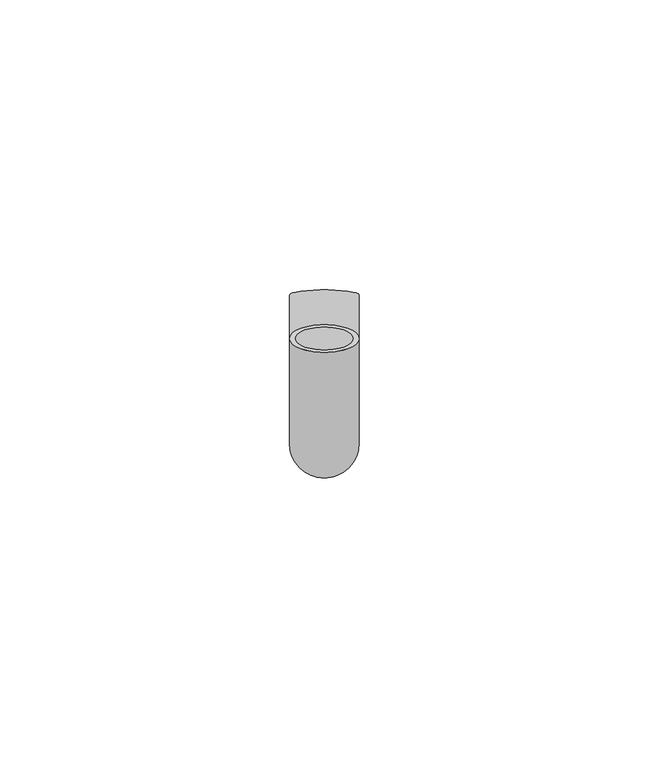
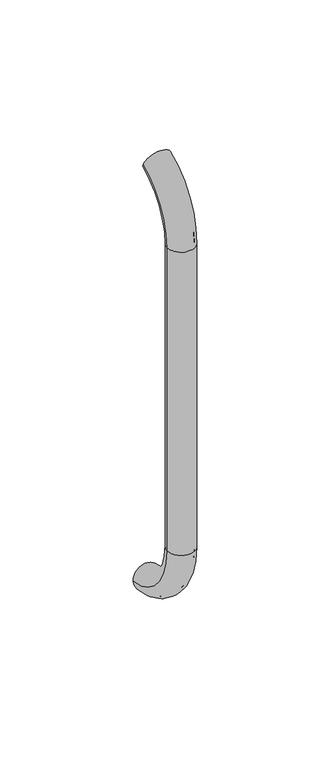
"""IFC4 building model written with IfcOpenShell, lengths in millimetres: beam geometry."""

from ifc_helpers import new_model, si_unit, point, frame, origin, place, context, project, spatial, polyline, circle_curve, ellipse_curve, trimmed, source, transform, mapped, element, save
from ifc_brep_helpers import plane_surface, cylinder_surface, revolved_surface, advanced_brep


def beam_49296c59(model_context):
    return source(origin(), model_context, "Body", "AdvancedBrep", [
        advanced_brep(
        [(4061.5047261, 2444.0395554, 1993.7787656), (4073.5047261, 2444.0395554, 1993.7787656), (4062.5047261, 2444.0395554, 1993.7787656), (4072.5047261, 2444.0395554, 1993.7787656), (4072.5047261, 2425.9629385, 1966.25), (4062.5047261, 2425.9629385, 1966.25), (4073.5047261, 2425.9629385, 1966.25), (4061.5047261, 2425.9629385, 1966.25), (4062.5047261, 2425.9629385, 1826.25), (4072.5047261, 2425.9629385, 1826.25), (4061.5047261, 2425.9629385, 1826.25), (4073.5047261, 2425.9629385, 1826.25), (4061.5047261, 2451.5825147, 1796.5715249), (4073.5047261, 2451.5825147, 1796.5715249), (4062.5047261, 2451.5825147, 1796.5715249), (4072.5047261, 2451.5825147, 1796.5715249)],
        [
            (0, 1, circle_curve(frame((4067.5047261, 2444.0395554, 1993.7787656), z_axis=(0.0, 0.9176255197351176, 0.3974461039321624), x_axis=(1.0, 0.0, 0.0)), 6.0)),
            (1, 0, circle_curve(frame((4067.5047261, 2444.0395554, 1993.7787656), z_axis=(0.0, 0.9176255197351176, 0.3974461039321624), x_axis=(1.0, 0.0, 0.0)), 6.0)),
            (2, 3, circle_curve(frame((4067.5047261, 2444.0395554, 1993.7787656), z_axis=(0.0, -0.9176255197351176, -0.3974461039321624), x_axis=(1.0, 0.0, 0.0)), 5.0)),
            (3, 2, circle_curve(frame((4067.5047261, 2444.0395554, 1993.7787656), z_axis=(0.0, -0.9176255197351176, -0.3974461039321624), x_axis=(1.0, 0.0, 0.0)), 5.0)),
            (4, 3, circle_curve(frame((4072.5047261, 2455.9629385, 1966.25), z_axis=(-1.0, 0.0, 0.0), x_axis=(0.0, -0.3974461039321624, 0.9176255197351176)), 30.0)),
            (2, 5, circle_curve(frame((4062.5047261, 2455.9629385, 1966.25), z_axis=(1.0, 0.0, 0.0), x_axis=(0.0, -0.3974461039321624, 0.9176255197351176)), 30.0)),
            (5, 4, circle_curve(frame((4067.5047261, 2425.9629385, 1966.25), z_axis=(0.0, 0.0, -1.0), x_axis=(1.0, 0.0, 0.0)), 5.0)),
            (4, 5, circle_curve(frame((4067.5047261, 2425.9629385, 1966.25), z_axis=(0.0, 0.0, -1.0), x_axis=(1.0, 0.0, 0.0)), 5.0)),
            (6, 1, circle_curve(frame((4073.5047261, 2455.9629385, 1966.25), z_axis=(-1.0, 0.0, 0.0), x_axis=(0.0, -0.3974461039321624, 0.9176255197351176)), 30.0)),
            (0, 7, circle_curve(frame((4061.5047261, 2455.9629385, 1966.25), z_axis=(1.0, 0.0, 0.0), x_axis=(0.0, -0.3974461039321624, 0.9176255197351176)), 30.0)),
            (7, 6, circle_curve(frame((4067.5047261, 2425.9629385, 1966.25), z_axis=(0.0, 0.0, 1.0), x_axis=(1.0, 0.0, 0.0)), 6.0)),
            (6, 7, circle_curve(frame((4067.5047261, 2425.9629385, 1966.25), z_axis=(0.0, 0.0, 1.0), x_axis=(1.0, 0.0, 0.0)), 6.0)),
            (5, 8),
            (8, 9, circle_curve(frame((4067.5047261, 2425.9629385, 1826.25), z_axis=(0.0, 0.0, -1.0), x_axis=(1.0, 0.0, 0.0)), 5.0)),
            (9, 4),
            (9, 8, circle_curve(frame((4067.5047261, 2425.9629385, 1826.25), z_axis=(0.0, 0.0, -1.0), x_axis=(1.0, 0.0, 0.0)), 5.0)),
            (7, 10),
            (10, 11, circle_curve(frame((4067.5047261, 2425.9629385, 1826.25), z_axis=(0.0, 0.0, 1.0), x_axis=(1.0, 0.0, 0.0)), 6.0)),
            (11, 6),
            (11, 10, circle_curve(frame((4067.5047261, 2425.9629385, 1826.25), z_axis=(0.0, 0.0, 1.0), x_axis=(1.0, 0.0, 0.0)), 6.0)),
            (12, 13, circle_curve(frame((4067.5047261, 2451.5825147, 1796.5715249), z_axis=(0.0, 0.9892825047438852, -0.14601412879466394), x_axis=(1.0, 0.0, 0.0)), 6.0)),
            (13, 12, circle_curve(frame((4067.5047261, 2451.5825147, 1796.5715249), z_axis=(0.0, 0.9892825047438852, -0.14601412879466394), x_axis=(1.0, 0.0, 0.0)), 6.0)),
            (14, 15, circle_curve(frame((4067.5047261, 2451.5825147, 1796.5715249), z_axis=(0.0, -0.9892825047438852, 0.14601412879466394), x_axis=(1.0, 0.0, 0.0)), 5.0)),
            (15, 14, circle_curve(frame((4067.5047261, 2451.5825147, 1796.5715249), z_axis=(0.0, -0.9892825047438852, 0.14601412879466394), x_axis=(1.0, 0.0, 0.0)), 5.0)),
            (15, 9, circle_curve(frame((4072.5047261, 2455.9629385, 1826.25), z_axis=(-1.0, 0.0, 0.0), x_axis=(0.0, -1.0, 0.0)), 30.0)),
            (8, 14, circle_curve(frame((4062.5047261, 2455.9629385, 1826.25), z_axis=(1.0, 0.0, 0.0), x_axis=(0.0, -1.0, 0.0)), 30.0)),
            (13, 11, circle_curve(frame((4073.5047261, 2455.9629385, 1826.25), z_axis=(-1.0, 0.0, 0.0), x_axis=(0.0, -1.0, 0.0)), 30.0)),
            (10, 12, circle_curve(frame((4061.5047261, 2455.9629385, 1826.25), z_axis=(1.0, 0.0, 0.0), x_axis=(0.0, -1.0, 0.0)), 30.0)),
        ],
        [
            plane_surface(frame((4067.5047261, 2444.0395554, 1993.7787656), z_axis=(0.0, 0.9176255197351176, 0.3974461039321624), x_axis=(1.0, 0.0, 0.0))),
            revolved_surface(trimmed(ellipse_curve(frame((4067.5047261, 2444.0395554, 1993.7787656), z_axis=(0.0, -0.9176255197351176, -0.3974461039321624), x_axis=(1.0, 0.0, 0.0)), 5.0, 5.0), [point((4062.5047261, 2444.0395554, 1993.7787656))], [point((4072.5047261, 2444.0395554, 1993.7787656))], True, "CARTESIAN"), (4067.5047261, 2455.9629385, 1966.25), (1.0, 0.0, 0.0)),
            revolved_surface(trimmed(ellipse_curve(frame((4067.5047261, 2444.0395554, 1993.7787656), z_axis=(0.0, -0.9176255197351176, -0.3974461039321624), x_axis=(1.0, 0.0, 0.0)), 5.0, 5.0), [point((4072.5047261, 2444.0395554, 1993.7787656))], [point((4062.5047261, 2444.0395554, 1993.7787656))], True, "CARTESIAN"), (4067.5047261, 2455.9629385, 1966.25), (1.0, 0.0, 0.0)),
            revolved_surface(trimmed(ellipse_curve(frame((4067.5047261, 2444.0395554, 1993.7787656), z_axis=(0.0, 0.9176255197351176, 0.3974461039321624), x_axis=(1.0, 0.0, 0.0)), 6.0, 6.0), [point((4061.5047261, 2444.0395554, 1993.7787656))], [point((4073.5047261, 2444.0395554, 1993.7787656))], True, "CARTESIAN"), (4067.5047261, 2455.9629385, 1966.25), (1.0, 0.0, 0.0)),
            revolved_surface(trimmed(ellipse_curve(frame((4067.5047261, 2444.0395554, 1993.7787656), z_axis=(0.0, 0.9176255197351176, 0.3974461039321624), x_axis=(1.0, 0.0, 0.0)), 6.0, 6.0), [point((4073.5047261, 2444.0395554, 1993.7787656))], [point((4061.5047261, 2444.0395554, 1993.7787656))], True, "CARTESIAN"), (4067.5047261, 2455.9629385, 1966.25), (1.0, 0.0, 0.0)),
            revolved_surface(polyline([(4072.5047261, 2425.9629385, 1826.25), (4072.5047261, 2425.9629385, 1966.25)]), (4067.5047261, 2425.9629385, 1966.25), (0.0, 0.0, -1.0)),
            cylinder_surface(frame((4067.5047261, 2425.9629385, 1966.25), z_axis=(0.0, 0.0, 1.0), x_axis=(1.0, 0.0, 0.0)), 6.0),
            plane_surface(frame((4067.5047261, 2451.5825147, 1796.5715249), z_axis=(0.0, 0.9892825047438852, -0.14601412879466397), x_axis=(1.0, 0.0, 0.0))),
            revolved_surface(trimmed(ellipse_curve(frame((4067.5047261, 2425.9629385, 1826.25), z_axis=(0.0, 0.0, -1.0), x_axis=(1.0, 0.0, 0.0)), 5.0, 5.0), [point((4062.5047261, 2425.9629385, 1826.25))], [point((4072.5047261, 2425.9629385, 1826.25))], True, "CARTESIAN"), (4067.5047261, 2455.9629385, 1826.25), (1.0, 0.0, 0.0)),
            revolved_surface(trimmed(ellipse_curve(frame((4067.5047261, 2425.9629385, 1826.25), z_axis=(0.0, 0.0, -1.0), x_axis=(1.0, 0.0, 0.0)), 5.0, 5.0), [point((4072.5047261, 2425.9629385, 1826.25))], [point((4062.5047261, 2425.9629385, 1826.25))], True, "CARTESIAN"), (4067.5047261, 2455.9629385, 1826.25), (1.0, 0.0, 0.0)),
            revolved_surface(trimmed(ellipse_curve(frame((4067.5047261, 2425.9629385, 1826.25), z_axis=(0.0, 0.0, 1.0), x_axis=(1.0, 0.0, 0.0)), 6.0, 6.0), [point((4061.5047261, 2425.9629385, 1826.25))], [point((4073.5047261, 2425.9629385, 1826.25))], True, "CARTESIAN"), (4067.5047261, 2455.9629385, 1826.25), (1.0, 0.0, 0.0)),
            revolved_surface(trimmed(ellipse_curve(frame((4067.5047261, 2425.9629385, 1826.25), z_axis=(0.0, 0.0, 1.0), x_axis=(1.0, 0.0, 0.0)), 6.0, 6.0), [point((4073.5047261, 2425.9629385, 1826.25))], [point((4061.5047261, 2425.9629385, 1826.25))], True, "CARTESIAN"), (4067.5047261, 2455.9629385, 1826.25), (1.0, 0.0, 0.0)),
        ],
        [
            (0, [[1, 2], [3, 4]]),
            (1, [[5, -3, 6, 7]]),
            (2, [[-6, -4, -5, 8]]),
            (3, [[9, -1, 10, 11]]),
            (4, [[-10, -2, -9, 12]]),
            (5, [[-7, 13, 14, 15]]),
            (5, [[-8, -15, 16, -13]]),
            (6, [[-11, 17, 18, 19]]),
            (6, [[-12, -19, 20, -17]]),
            (7, [[21, 22], [23, 24]]),
            (8, [[25, -14, 26, -24]]),
            (9, [[-26, -16, -25, -23]]),
            (10, [[27, -18, 28, -22]]),
            (11, [[-28, -20, -27, -21]]),
        ],
    ),
    ])


if __name__ == "__main__":
    model = new_model("IFC4")
    model_context = context("Model", 3, world=origin())
    ifc_project = project(units=[si_unit("LENGTHUNIT", "METRE", prefix="MILLI")], contexts=[model_context])
    site = spatial("IfcSite", under=ifc_project)
    building = spatial("IfcBuilding", under=site)
    placement = place(None, origin())
    beam_shape = beam_49296c59(model_context)
    element("IfcBeam", 1, at=placement, inside=building, context=model_context, shape_type="MappedRepresentation", body=[
        mapped(beam_shape, transform((0.0, 0.0, 0.0), x_axis=(1.0, 0.0, 0.0), y_axis=(0.0, 1.0, 0.0), z_axis=(0.0, 0.0, 1.0))),
    ])
    save(model, "model.ifc")
